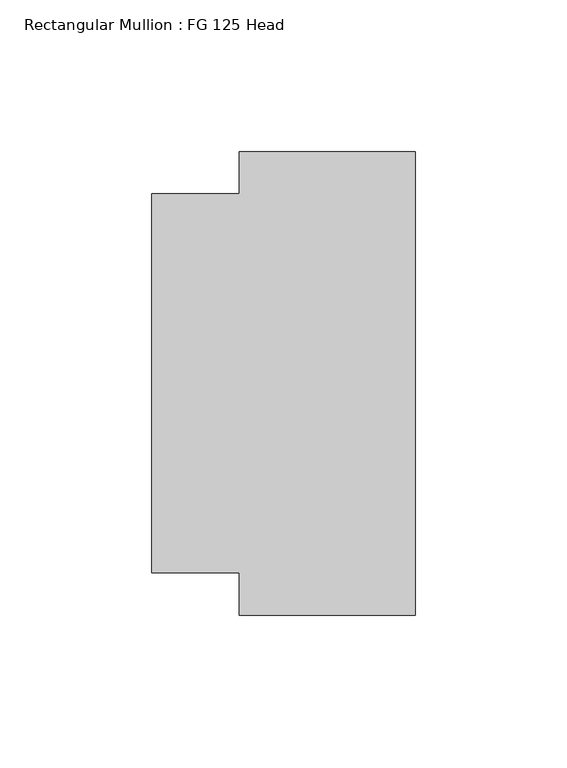
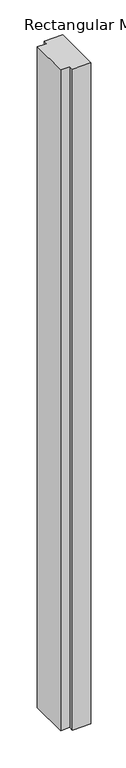
"""IFC4 building model written with IfcOpenShell, lengths in millimetres: member geometry, Rectangular Mullion : FG 125 Head."""

from ifc_helpers import new_model, si_unit, frame, origin, place, context, project, spatial, polyline, outline, extrude, source, transform, mapped, element, save


def rectangular_mullion_fg_125_head_b45a3da3(model_context):
    return source(origin(), model_context, "Body", "SweptSolid", [
        extrude(outline(polyline([(0.0, -76.5), (-58.0, -76.5), (-58.0, -62.4946881), (-87.0, -62.4946881), (-87.0, 62.5054723), (-58.0, 62.5054723), (-58.0, 76.5054723), (0.0, 76.5054723), (0.0, -76.5)])), frame((0.0, 0.0, -2185.0010868), z_axis=(0.0, 0.0, 1.0), x_axis=(1.0, 0.0, 0.0)), (0.0, 0.0, 1.0), 2185.0010868),
    ])


if __name__ == "__main__":
    model = new_model("IFC4")
    model_context = context("Model", 3, world=origin())
    ifc_project = project(units=[si_unit("LENGTHUNIT", "METRE", prefix="MILLI")], contexts=[model_context])
    site = spatial("IfcSite", under=ifc_project)
    building = spatial("IfcBuilding", under=site)
    placement = place(None, origin())
    rectangular_mullion_fg_125_head_shape = rectangular_mullion_fg_125_head_b45a3da3(model_context)
    element("IfcMember", 1, ObjectType="Rectangular Mullion : FG 125 Head", at=placement, inside=building, context=model_context, shape_type="MappedRepresentation", body=[
        mapped(rectangular_mullion_fg_125_head_shape, transform((0.0, 0.0, 0.0), x_axis=(1.0, 0.0, 0.0), y_axis=(0.0, 1.0, 0.0), z_axis=(0.0, 0.0, 1.0))),
    ])
    save(model, "model.ifc")
